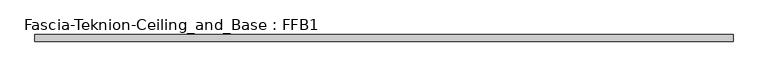
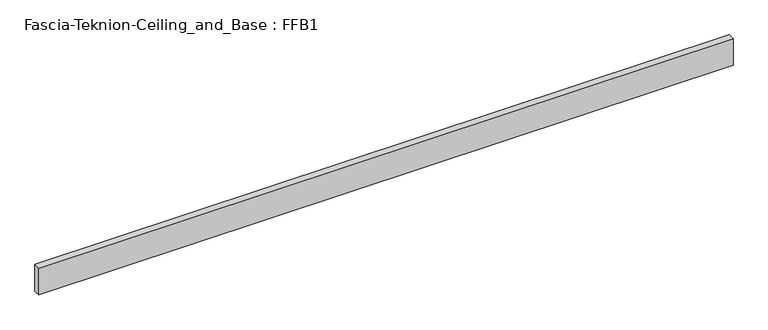
"""IFC4 building model written with IfcOpenShell, lengths in millimetres: proxy geometry, Fascia-Teknion-Ceiling_and_Base : FFB1."""

from ifc_helpers import new_model, si_unit, origin, origin_with_axes, place, context, project, spatial, polyline, outline, extrude, source, transform, mapped, element, save


def fascia_teknion_ceiling_and_base_ffb1_afe21305(model_context):
    return source(origin(), model_context, "Body", "SweptSolid", [
        extrude(outline(polyline([(998.8407125, 0.0), (-998.8407125, 0.0), (-998.8407125, 19.05), (998.8407125, 19.05), (998.8407125, 0.0)])), origin_with_axes(), (0.0, 0.0, 1.0), 81.28),
    ])


if __name__ == "__main__":
    model = new_model("IFC4")
    model_context = context("Model", 3, world=origin())
    ifc_project = project(units=[si_unit("LENGTHUNIT", "METRE", prefix="MILLI")], contexts=[model_context])
    site = spatial("IfcSite", under=ifc_project)
    building = spatial("IfcBuilding", under=site)
    placement = place(None, origin())
    fascia_teknion_ceiling_and_base_ffb1_shape = fascia_teknion_ceiling_and_base_ffb1_afe21305(model_context)
    element("IfcBuildingElementProxy", 1, Name="Fascia-Teknion-Ceiling_and_Base : FFB1", ObjectType="Fascia-Teknion-Ceiling_and_Base : FFB1", at=placement, inside=building, context=model_context, shape_type="MappedRepresentation", body=[
        mapped(fascia_teknion_ceiling_and_base_ffb1_shape, transform((0.0, 0.0, 0.0), x_axis=(1.0, 0.0, 0.0), y_axis=(0.0, 1.0, 0.0), z_axis=(0.0, 0.0, 1.0))),
    ])
    save(model, "model.ifc")
